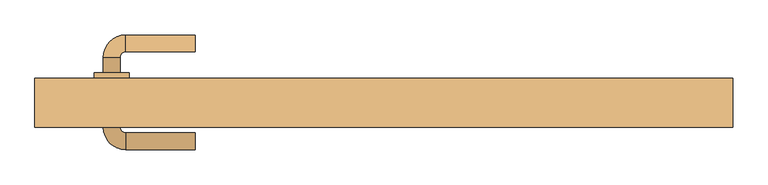
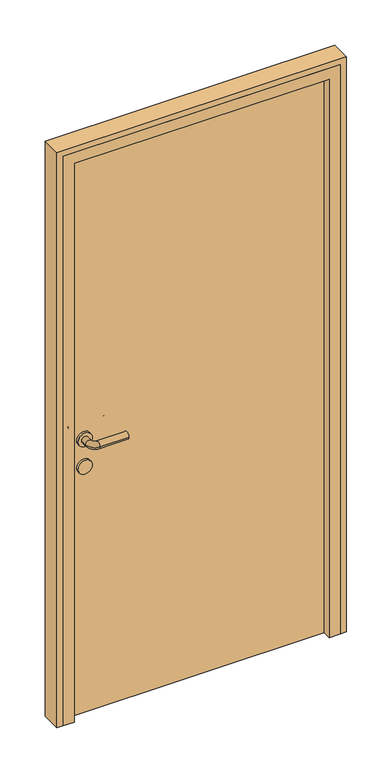
"""IFC4 building model written with IfcOpenShell, lengths in millimetres: door geometry."""

from ifc_helpers import new_model, si_unit, point, frame, frame_2d, origin, origin_with_axes, place, context, project, spatial, polyline, circle_curve, ellipse_curve, trimmed, segment, composite_curve, outline, extrude, faceted_brep, source, transform, mapped, element, save
from ifc_brep_helpers import plane_surface, cylinder_surface, revolved_surface, advanced_brep


def door_00e637b2(model_context):
    return source(origin(), model_context, "Body", "SolidModel", [
        advanced_brep(
        [(-270.0, 187.0, 1000.0), (-270.0, 163.0, 1000.0), (-370.0, 187.0, 1000.0), (-370.0, 163.0, 1000.0), (-402.0, 155.0, 1000.0), (-378.0, 155.0, 1000.0), (-402.0, 133.0, 1000.0), (-378.0, 133.0, 1000.0), (-402.0, 55.0, 1000.0), (-378.0, 55.0, 1000.0), (-378.0, 77.0, 1000.0), (-402.0, 77.0, 1000.0), (-370.0, 23.0, 1000.0), (-370.0, 47.0, 1000.0), (-270.0, 23.0, 1000.0), (-270.0, 47.0, 1000.0), (-415.0, 133.0, 1000.0), (-365.0, 133.0, 1000.0), (-415.0, 77.0, 1000.0), (-365.0, 77.0, 1000.0)],
        [
            (0, 1, circle_curve(frame((-270.0, 175.0, 1000.0), z_axis=(1.0, 0.0, 0.0), x_axis=(0.0, -1.0, 0.0)), 12.0)),
            (1, 0, circle_curve(frame((-270.0, 175.0, 1000.0), z_axis=(1.0, 0.0, 0.0), x_axis=(0.0, -1.0, 0.0)), 12.0)),
            (0, 2),
            (2, 3, circle_curve(frame((-370.0, 175.0, 1000.0), z_axis=(1.0, 0.0, 0.0), x_axis=(0.0, -1.0, 0.0)), 12.0)),
            (3, 1),
            (3, 2, circle_curve(frame((-370.0, 175.0, 1000.0), z_axis=(1.0, 0.0, 0.0), x_axis=(0.0, -1.0, 0.0)), 12.0)),
            (2, 4, circle_curve(frame((-370.0, 155.0, 1000.0), z_axis=(0.0, 0.0, 1.0), x_axis=(0.0, 1.0, 0.0)), 32.0)),
            (4, 5, circle_curve(frame((-390.0, 155.0, 1000.0), z_axis=(0.0, 1.0, 0.0), x_axis=(1.0, 0.0, 0.0)), 12.0)),
            (5, 3, circle_curve(frame((-370.0, 155.0, 1000.0), z_axis=(0.0, 0.0, -1.0), x_axis=(0.0, 1.0, 0.0)), 8.0)),
            (5, 4, circle_curve(frame((-390.0, 155.0, 1000.0), z_axis=(0.0, 1.0, 0.0), x_axis=(1.0, 0.0, 0.0)), 12.0)),
            (4, 6),
            (6, 7, circle_curve(frame((-390.0, 133.0, 1000.0), z_axis=(0.0, 1.0, 0.0), x_axis=(1.0, 0.0, 0.0)), 12.0)),
            (7, 5),
            (8, 9, circle_curve(frame((-390.0, 55.0, 1000.0), z_axis=(0.0, 1.0, 0.0), x_axis=(1.0, 0.0, 0.0)), 12.0)),
            (9, 10),
            (10, 11, circle_curve(frame((-390.0, 77.0, 1000.0), z_axis=(0.0, -1.0, 0.0), x_axis=(1.0, 0.0, 0.0)), 12.0)),
            (11, 8),
            (7, 6, circle_curve(frame((-390.0, 133.0, 1000.0), z_axis=(0.0, 1.0, 0.0), x_axis=(1.0, 0.0, 0.0)), 12.0)),
            (9, 8, circle_curve(frame((-390.0, 55.0, 1000.0), z_axis=(0.0, 1.0, 0.0), x_axis=(1.0, 0.0, 0.0)), 12.0)),
            (11, 10, circle_curve(frame((-390.0, 77.0, 1000.0), z_axis=(0.0, -1.0, 0.0), x_axis=(1.0, 0.0, 0.0)), 12.0)),
            (8, 12, circle_curve(frame((-370.0, 55.0, 1000.0), z_axis=(0.0, 0.0, 1.0), x_axis=(-1.0, 0.0, 0.0)), 32.0)),
            (12, 13, circle_curve(frame((-370.0, 35.0, 1000.0), z_axis=(-1.0, 0.0, 0.0), x_axis=(0.0, 1.0, 0.0)), 12.0)),
            (13, 9, circle_curve(frame((-370.0, 55.0, 1000.0), z_axis=(0.0, 0.0, -1.0), x_axis=(-1.0, 0.0, 0.0)), 8.0)),
            (13, 12, circle_curve(frame((-370.0, 35.0, 1000.0), z_axis=(-1.0, 0.0, 0.0), x_axis=(0.0, 1.0, 0.0)), 12.0)),
            (14, 15, circle_curve(frame((-270.0, 35.0, 1000.0), z_axis=(1.0, 0.0, 0.0), x_axis=(0.0, 1.0, 0.0)), 12.0)),
            (15, 14, circle_curve(frame((-270.0, 35.0, 1000.0), z_axis=(1.0, 0.0, 0.0), x_axis=(0.0, 1.0, 0.0)), 12.0)),
            (12, 14),
            (15, 13),
            (16, 17, circle_curve(frame((-390.0, 133.0, 1000.0), z_axis=(0.0, 1.0, 0.0), x_axis=(1.0, 0.0, 0.0)), 25.0)),
            (17, 16, circle_curve(frame((-390.0, 133.0, 1000.0), z_axis=(0.0, 1.0, 0.0), x_axis=(1.0, 0.0, 0.0)), 25.0)),
            (18, 19, circle_curve(frame((-390.0, 77.0, 1000.0), z_axis=(0.0, -1.0, 0.0), x_axis=(1.0, 0.0, 0.0)), 25.0)),
            (19, 18, circle_curve(frame((-390.0, 77.0, 1000.0), z_axis=(0.0, -1.0, 0.0), x_axis=(1.0, 0.0, 0.0)), 25.0)),
            (17, 19),
            (18, 16),
        ],
        [
            plane_surface(frame((-270.0, 175.0, 1000.0), z_axis=(1.0, 0.0, 0.0), x_axis=(0.0, 0.0, 1.0))),
            cylinder_surface(frame((-270.0, 175.0, 1000.0), z_axis=(1.0, 0.0, 0.0), x_axis=(0.0, -1.0, 0.0)), 12.0),
            revolved_surface(trimmed(ellipse_curve(frame((-370.0, 175.0, 1000.0), z_axis=(1.0, 0.0, 0.0), x_axis=(0.0, -1.0, 0.0)), 12.0, 12.0), [point((-370.0, 187.0, 1000.0))], [point((-370.0, 163.0, 1000.0))], True, "CARTESIAN"), (-370.0, 155.0, 1000.0), (0.0, 0.0, 1.0)),
            revolved_surface(trimmed(ellipse_curve(frame((-370.0, 175.0, 1000.0), z_axis=(1.0, 0.0, 0.0), x_axis=(0.0, -1.0, 0.0)), 12.0, 12.0), [point((-370.0, 163.0, 1000.0))], [point((-370.0, 187.0, 1000.0))], True, "CARTESIAN"), (-370.0, 155.0, 1000.0), (0.0, 0.0, 1.0)),
            cylinder_surface(frame((-390.0, 155.0, 1000.0), z_axis=(0.0, 1.0, 0.0), x_axis=(1.0, 0.0, 0.0)), 12.0),
            revolved_surface(trimmed(ellipse_curve(frame((-390.0, 55.0, 1000.0), z_axis=(0.0, 1.0, 0.0), x_axis=(1.0, 0.0, 0.0)), 12.0, 12.0), [point((-402.0, 55.0, 1000.0))], [point((-378.0, 55.0, 1000.0))], True, "CARTESIAN"), (-370.0, 55.0, 1000.0), (0.0, 0.0, 1.0)),
            revolved_surface(trimmed(ellipse_curve(frame((-390.0, 55.0, 1000.0), z_axis=(0.0, 1.0, 0.0), x_axis=(1.0, 0.0, 0.0)), 12.0, 12.0), [point((-378.0, 55.0, 1000.0))], [point((-402.0, 55.0, 1000.0))], True, "CARTESIAN"), (-370.0, 55.0, 1000.0), (0.0, 0.0, 1.0)),
            plane_surface(frame((-270.0, 35.0, 1000.0), z_axis=(1.0, 0.0, 0.0), x_axis=(0.0, 0.0, 1.0))),
            cylinder_surface(frame((-370.0, 35.0, 1000.0), z_axis=(-1.0, 0.0, 0.0), x_axis=(0.0, 1.0, 0.0)), 12.0),
            plane_surface(frame((-365.0, 133.0, 1000.0), z_axis=(0.0, 1.0, 0.0), x_axis=(0.0, 0.0, -1.0))),
            plane_surface(frame((-365.0, 77.0, 1000.0), z_axis=(0.0, -1.0, 0.0), x_axis=(0.0, 0.0, 1.0))),
            cylinder_surface(frame((-390.0, 133.0, 1000.0), z_axis=(0.0, -1.0, 0.0), x_axis=(1.0, 0.0, 0.0)), 25.0),
        ],
        [
            (0, [[1, 2]]),
            (1, [[-1, 3, 4, 5]]),
            (1, [[-2, -5, 6, -3]]),
            (2, [[-4, 7, 8, 9]]),
            (3, [[-6, -9, 10, -7]]),
            (4, [[-8, 11, 12, 13]]),
            (4, [[14, 15, 16, 17]]),
            (4, [[-10, -13, 18, -11]]),
            (4, [[19, -17, 20, -15]]),
            (5, [[-14, 21, 22, 23]]),
            (6, [[-19, -23, 24, -21]]),
            (7, [[25, 26]]),
            (8, [[-22, 27, -26, 28]]),
            (8, [[-24, -28, -25, -27]]),
            (9, [[29, 30], [-12, -18]]),
            (10, [[31, 32], [-16, -20]]),
            (11, [[-30, 33, -31, 34]]),
            (11, [[-29, -34, -32, -33]]),
        ],
    ),
        extrude(outline(composite_curve([segment(trimmed(circle_curve(frame_2d((900.0, -390.0)), 25.0), [point((900.0, -415.0))], [point((900.0, -365.0))], False, "CARTESIAN"), True, "CONTINUOUS"), segment(trimmed(circle_curve(frame_2d((900.0, -390.0)), 25.0), [point((900.0, -365.0))], [point((900.0, -415.0))], False, "CARTESIAN"), True, "CONTINUOUS")], self_intersect=False)), frame((0.0, 77.0, 0.0), z_axis=(0.0, 1.0, 0.0), x_axis=(0.0, 0.0, 1.0)), (0.0, 0.0, 1.0), 56.0),
        extrude(outline(polyline([(450.0, 85.0), (-450.0, 85.0), (-450.0, 125.0), (450.0, 125.0), (450.0, 85.0)])), origin_with_axes(), (0.0, 0.0, 1.0), 2050.0),
        extrude(outline(polyline([(0.0, 500.0), (2100.0, 500.0), (2100.0, -500.0), (0.0, -500.0), (0.0, -480.0), (2080.0, -480.0), (2080.0, 480.0), (0.0, 480.0), (0.0, 500.0)])), frame((0.0, 55.0, 0.0), z_axis=(0.0, 1.0, 0.0), x_axis=(0.0, 0.0, 1.0)), (0.0, 0.0, 1.0), 70.0),
        faceted_brep([(-480.0, 55.0, 0.0), (-480.0, 125.0, 0.0), (-450.0, 125.0, 0.0), (-450.0, 85.0, 0.0), (-440.0, 85.0, 0.0), (-440.0, 55.0, 0.0), (-480.0, 55.0, 2080.0), (-480.0, 125.0, 2080.0), (480.0, 125.0, 2080.0), (480.0, 125.0, 0.0), (450.0, 125.0, 0.0), (450.0, 125.0, 2050.0), (-450.0, 125.0, 2050.0), (-450.0, 85.0, 2050.0), (450.0, 85.0, 2050.0), (450.0, 85.0, 0.0), (440.0, 85.0, 0.0), (440.0, 85.0, 2040.0), (-440.0, 85.0, 2040.0), (-440.0, 55.0, 2040.0), (440.0, 55.0, 2040.0), (440.0, 55.0, 0.0), (480.0, 55.0, 0.0), (480.0, 55.0, 2080.0)], [[[0, 1, 2, 3, 4, 5]], [[1, 0, 6, 7]], [[2, 1, 7, 8, 9, 10, 11, 12]], [[3, 2, 12, 13]], [[4, 3, 13, 14, 15, 16, 17, 18]], [[5, 4, 18, 19]], [[0, 5, 19, 20, 21, 22, 23, 6]], [[7, 6, 23, 8]], [[13, 12, 11, 14]], [[19, 18, 17, 20]], [[22, 21, 16, 15, 10, 9]], [[8, 23, 22, 9]], [[14, 11, 10, 15]], [[20, 17, 16, 21]]]),
    ])


if __name__ == "__main__":
    model = new_model("IFC4")
    model_context = context("Model", 3, world=origin())
    ifc_project = project(units=[si_unit("LENGTHUNIT", "METRE", prefix="MILLI")], contexts=[model_context])
    site = spatial("IfcSite", under=ifc_project)
    building = spatial("IfcBuilding", under=site)
    placement = place(None, origin())
    door_shape = door_00e637b2(model_context)
    element("IfcDoor", 1, at=placement, inside=building, context=model_context, shape_type="MappedRepresentation", body=[
        mapped(door_shape, transform((0.0, 0.0, 0.0), x_axis=(1.0, 0.0, 0.0), y_axis=(0.0, 1.0, 0.0), z_axis=(0.0, 0.0, 1.0))),
    ])
    save(model, "model.ifc")
